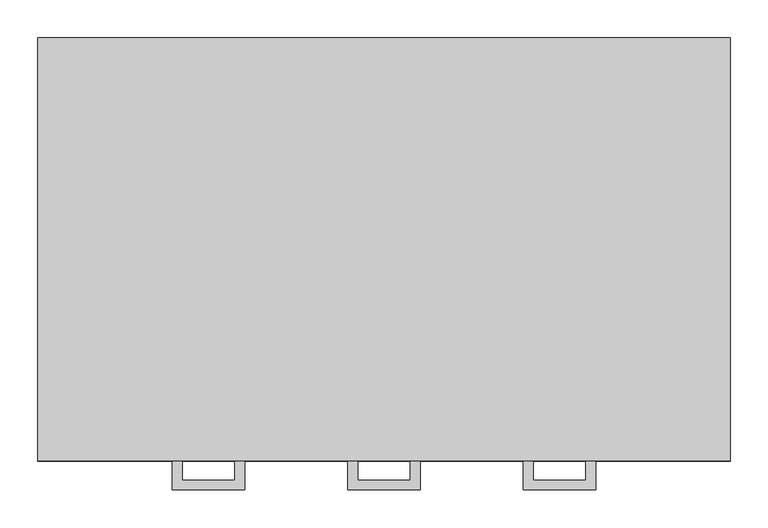
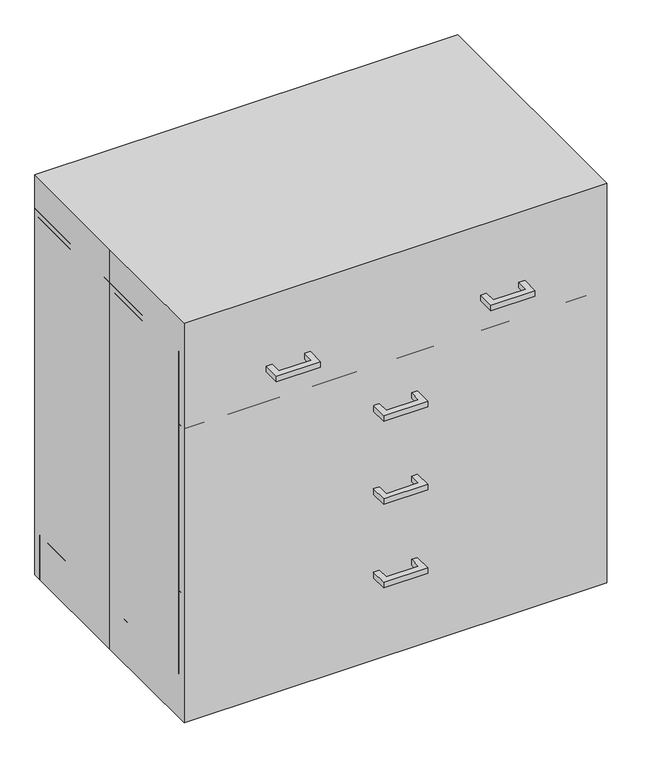
"""IFC4 building model written with IfcOpenShell, lengths in millimetres: proxy geometry."""

from ifc_helpers import new_model, si_unit, frame, origin, origin_with_axes, place, context, project, spatial, polyline, outline, extrude, source, transform, mapped, element, save


def specialty_equipment_32dd883c(model_context):
    return source(origin(), model_context, "Body", "SweptSolid", [
        extrude(outline(polyline([(-47.625, -317.5), (-47.625, -279.4), (-34.9409299, -279.4), (-34.9409299, -304.8159299), (34.9409299, -304.8159299), (34.9409299, -279.4), (47.625, -279.4), (47.625, -317.5), (-47.625, -317.5)])), frame((0.0, 0.0, 188.8962383), z_axis=(0.0, 0.0, 1.0), x_axis=(1.0, 0.0, 0.0)), (0.0, 0.0, 1.0), 12.7),
        extrude(outline(polyline([(-47.625, -317.5), (-47.625, -279.4), (-34.9409299, -279.4), (-34.9409299, -304.8159299), (34.9409299, -304.8159299), (34.9409299, -279.4), (47.625, -279.4), (47.625, -317.5), (-47.625, -317.5)])), frame((0.0, 0.0, 379.3962383), z_axis=(0.0, 0.0, 1.0), x_axis=(1.0, 0.0, 0.0)), (0.0, 0.0, 1.0), 12.7),
        extrude(outline(polyline([(-47.625, -317.5), (-47.625, -279.4), (-34.9409299, -279.4), (-34.9409299, -304.8159299), (34.9409299, -304.8159299), (34.9409299, -279.4), (47.625, -279.4), (47.625, -317.5), (-47.625, -317.5)])), frame((0.0, 0.0, 569.8962383), z_axis=(0.0, 0.0, 1.0), x_axis=(1.0, 0.0, 0.0)), (0.0, 0.0, 1.0), 12.7),
        extrude(outline(polyline([(-279.3840701, -317.5), (-279.3840701, -279.4), (-266.7, -279.4), (-266.7, -304.8159299), (-196.8181401, -304.8159299), (-196.8181401, -279.4), (-184.1340701, -279.4), (-184.1340701, -317.5), (-279.3840701, -317.5)])), frame((0.0, 0.0, 741.3462383), z_axis=(0.0, 0.0, 1.0), x_axis=(1.0, 0.0, 0.0)), (0.0, 0.0, 1.0), 12.7),
        extrude(outline(polyline([(279.3840701, -317.5), (184.1340701, -317.5), (184.1340701, -279.4), (196.8181401, -279.4), (196.8181401, -304.8159299), (266.7, -304.8159299), (266.7, -279.4), (279.3840701, -279.4), (279.3840701, -317.5)])), frame((0.0, 0.0, 741.3462383), z_axis=(0.0, 0.0, 1.0), x_axis=(1.0, 0.0, 0.0)), (0.0, 0.0, 1.0), 12.7),
        extrude(outline(polyline([(-457.2, 279.4), (457.2, 279.4), (457.2, -279.4), (-457.2, -279.4), (-457.2, 0.0), (-457.2, 279.4)])), origin_with_axes(), (0.0, 0.0, 1.0), 914.4),
        extrude(outline(polyline([(457.2, -279.4), (-457.2, -279.4), (-457.2, -260.35), (457.2, -260.35), (457.2, -279.4)])), frame((0.0, 0.0, 101.5674767), z_axis=(0.0, 0.0, 1.0), x_axis=(1.0, 0.0, 0.0)), (0.0, 0.0, 1.0), 190.5),
        extrude(outline(polyline([(457.2, -279.4), (-457.2, -279.4), (-457.2, -260.35), (457.2, -260.35), (457.2, -279.4)])), frame((0.0, 0.0, 292.0674767), z_axis=(0.0, 0.0, 1.0), x_axis=(1.0, 0.0, 0.0)), (0.0, 0.0, 1.0), 190.5),
        extrude(outline(polyline([(457.2, -279.4), (-457.2, -279.4), (-457.2, -260.35), (457.2, -260.35), (457.2, -279.4)])), frame((0.0, 0.0, 482.5674767), z_axis=(0.0, 0.0, 1.0), x_axis=(1.0, 0.0, 0.0)), (0.0, 0.0, 1.0), 190.5),
        extrude(outline(polyline([(457.2, -279.4), (0.0, -279.4), (0.0, -260.35), (457.2, -260.35), (457.2, -279.4)])), frame((0.0, 0.0, 673.0674767), z_axis=(0.0, 0.0, 1.0), x_axis=(1.0, 0.0, 0.0)), (0.0, 0.0, 1.0), 152.4),
        extrude(outline(polyline([(0.0, -279.4), (-457.2, -279.4), (-457.2, -260.35), (0.0, -260.35), (0.0, -279.4)])), frame((0.0, 0.0, 673.0674767), z_axis=(0.0, 0.0, 1.0), x_axis=(1.0, 0.0, 0.0)), (0.0, 0.0, 1.0), 152.4),
        extrude(outline(polyline([(-457.2, -260.35), (-457.2, 279.4), (-438.15, 279.4), (-438.15, -260.35), (-457.2, -260.35)])), frame((0.0, 0.0, 101.6), z_axis=(0.0, 0.0, 1.0), x_axis=(1.0, 0.0, 0.0)), (0.0, 0.0, 1.0), 723.8674767),
        extrude(outline(polyline([(438.15, -260.35), (438.15, 279.4), (457.2, 279.4), (457.2, -260.35), (438.15, -260.35)])), frame((0.0, 0.0, 101.6), z_axis=(0.0, 0.0, 1.0), x_axis=(1.0, 0.0, 0.0)), (0.0, 0.0, 1.0), 723.8674767),
        extrude(outline(polyline([(457.2, 279.4), (457.2, -260.35), (-457.2, -260.35), (-457.2, 279.4), (457.2, 279.4)])), frame((0.0, 0.0, 825.4674767), z_axis=(0.0, 0.0, 1.0), x_axis=(1.0, 0.0, 0.0)), (0.0, 0.0, 1.0), 12.7325233),
        extrude(outline(polyline([(457.2, -203.2), (-457.2, -203.2), (-457.2, -184.15), (457.2, -184.15), (457.2, -203.2)])), origin_with_axes(), (0.0, 0.0, 1.0), 101.6),
        extrude(outline(polyline([(-457.2, -184.15), (-457.2, 279.4), (-438.15, 279.4), (-438.15, -184.15), (-457.2, -184.15)])), origin_with_axes(), (0.0, 0.0, 1.0), 101.6),
        extrude(outline(polyline([(438.15, -184.15), (438.15, 279.4), (457.2, 279.4), (457.2, -184.15), (438.15, -184.15)])), origin_with_axes(), (0.0, 0.0, 1.0), 101.6),
        extrude(outline(polyline([(457.2, 260.35), (-457.2, 260.35), (-457.2, 279.4), (457.2, 279.4), (457.2, 260.35)])), origin_with_axes(), (0.0, 0.0, 1.0), 101.6),
        extrude(outline(polyline([(438.15, 260.35), (438.15, -260.35), (-438.15, -260.35), (-438.15, 260.35), (438.15, 260.35)])), frame((0.0, 0.0, 101.6), z_axis=(0.0, 0.0, 1.0), x_axis=(1.0, 0.0, 0.0)), (0.0, 0.0, 1.0), 19.1166954),
        extrude(outline(polyline([(438.15, 260.35), (-438.15, 260.35), (-438.15, 279.4), (438.15, 279.4), (438.15, 260.35)])), frame((0.0, 0.0, 101.6), z_axis=(0.0, 0.0, 1.0), x_axis=(1.0, 0.0, 0.0)), (0.0, 0.0, 1.0), 704.8174767),
    ])


if __name__ == "__main__":
    model = new_model("IFC4")
    model_context = context("Model", 3, world=origin())
    ifc_project = project(units=[si_unit("LENGTHUNIT", "METRE", prefix="MILLI")], contexts=[model_context])
    site = spatial("IfcSite", under=ifc_project)
    building = spatial("IfcBuilding", under=site)
    placement = place(None, origin())
    specialty_equipment_shape = specialty_equipment_32dd883c(model_context)
    element("IfcBuildingElementProxy", 1, Name="Specialty Equipment", at=placement, inside=building, context=model_context, shape_type="MappedRepresentation", body=[
        mapped(specialty_equipment_shape, transform((0.0, 0.0, 0.0), x_axis=(1.0, 0.0, 0.0), y_axis=(0.0, 1.0, 0.0), z_axis=(0.0, 0.0, 1.0))),
    ])
    save(model, "model.ifc")
